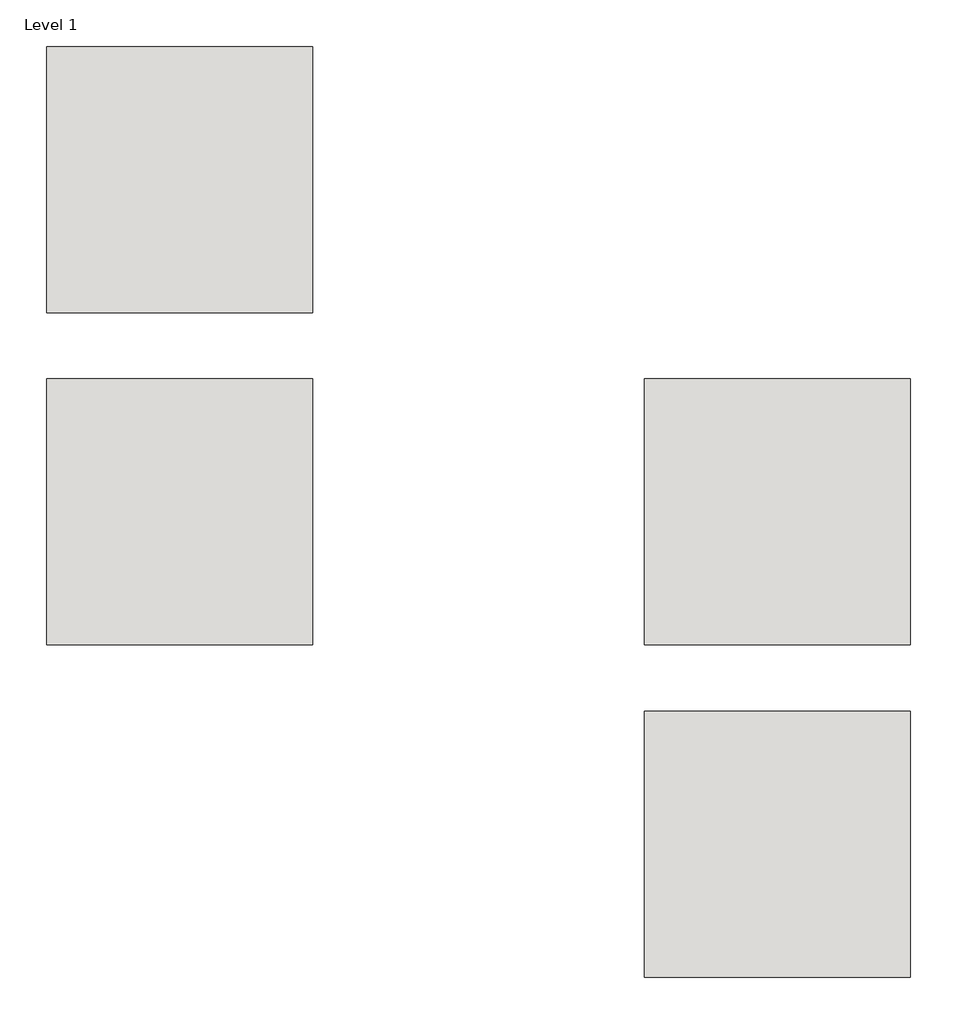
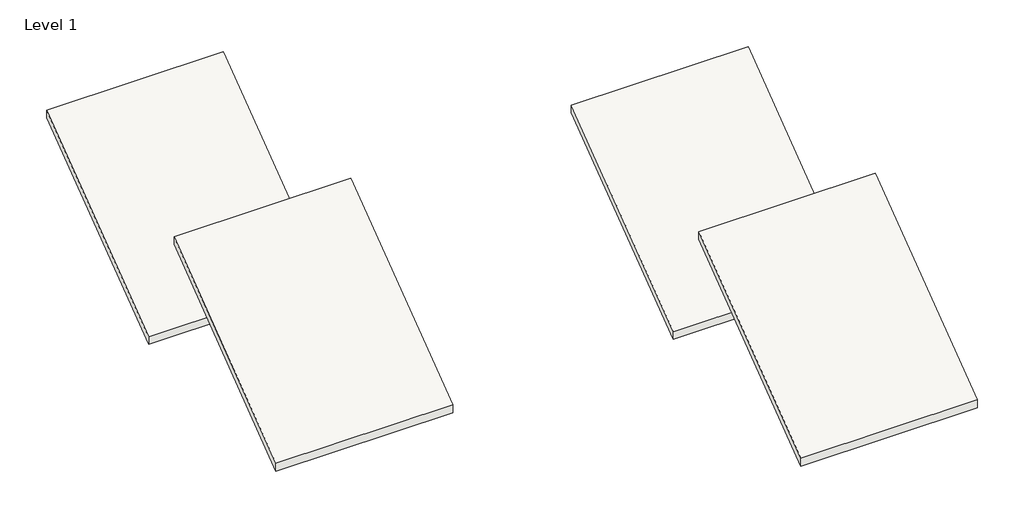
# One storey, part 5 of 10: 4 roofs.
"""IFC4 building model written with IfcOpenShell, lengths in millimetres."""

from ifc_helpers import new_model, si_unit, frame, origin, place, context, project, spatial, polyline, outline, extrude, element, save

model = new_model("IFC4")

# Units and contexts
model_context = context("Model", 3, world=origin())
ifc_project = project(units=[si_unit("LENGTHUNIT", "METRE", prefix="MILLI")], contexts=[model_context])

# Site, building, storey
site = spatial("IfcSite", under=ifc_project)
building = spatial("IfcBuilding", under=site)
storey = spatial("IfcBuildingStorey", under=building, Name="Level 1", Elevation=0.0)

# Roofs
placement = place(None, origin())
element("IfcRoof", 1, at=placement, inside=storey, context=model_context, shape_type="SweptSolid", body=[
    extrude(outline(polyline([(199493.0242732, -45942.0854012), (205589.0242732, -41370.0854012), (205589.0242732, -41655.8354012), (199493.0242732, -46227.8354012), (199493.0242732, -45942.0854012)])), frame((52955.5288668, 0.0, 0.0), z_axis=(1.0, 0.0, 0.0), x_axis=(0.0, 1.0, 0.0)), (0.0, 0.0, 1.0), 6096.0),
])
element("IfcRoof", 2, at=placement, inside=storey, context=model_context, shape_type="SweptSolid", body=[
    extrude(outline(polyline([(207113.0242732, -45942.0854012), (213209.0242732, -41370.0854012), (213209.0242732, -41655.8354012), (207113.0242732, -46227.8354012), (207113.0242732, -45942.0854012)])), frame((39239.5288668, 0.0, 0.0), z_axis=(1.0, 0.0, 0.0), x_axis=(0.0, 1.0, 0.0)), (0.0, 0.0, 1.0), 6096.0),
])
element("IfcRoof", 3, at=placement, inside=storey, context=model_context, shape_type="SweptSolid", body=[
    extrude(outline(polyline([(207113.0242732, -45942.0854012), (213209.0242732, -41370.0854012), (213209.0242732, -41655.8354012), (207113.0242732, -46227.8354012), (207113.0242732, -45942.0854012)])), frame((52955.5288668, 0.0, 0.0), z_axis=(1.0, 0.0, 0.0), x_axis=(0.0, 1.0, 0.0)), (0.0, 0.0, 1.0), 6096.0),
])
element("IfcRoof", 4, at=placement, inside=storey, context=model_context, shape_type="SweptSolid", body=[
    extrude(outline(polyline([(214733.0242732, -45942.0854012), (220829.0242732, -41370.0854012), (220829.0242732, -41655.8354012), (214733.0242732, -46227.8354012), (214733.0242732, -45942.0854012)])), frame((39239.5288668, 0.0, 0.0), z_axis=(1.0, 0.0, 0.0), x_axis=(0.0, 1.0, 0.0)), (0.0, 0.0, 1.0), 6096.0),
])

save(model, "model.ifc")
